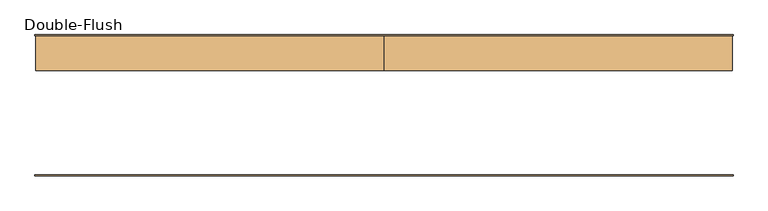
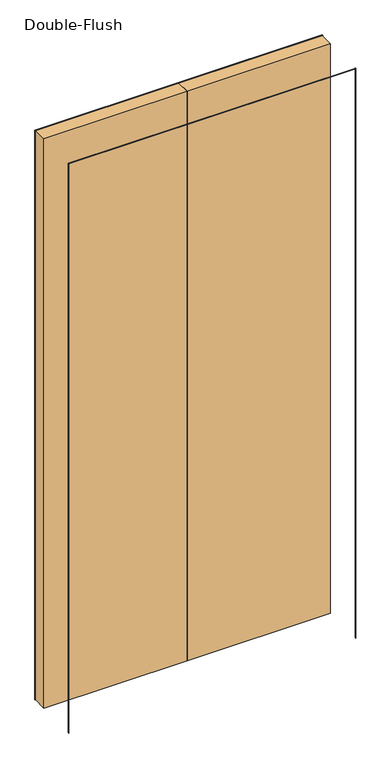
"""IFC4 building model written with IfcOpenShell, lengths in millimetres: door geometry, Double-Flush."""

from ifc_helpers import new_model, si_unit, frame, origin, origin_with_axes, place, context, project, spatial, polyline, outline, extrude, source, transform, mapped, element, save


def double_flush_2f4a6b6c(model_context):
    return source(origin(), model_context, "Body", "SweptSolid", [
        extrude(outline(polyline([(0.0, 101.6), (508.0, 101.6), (508.0, 50.8), (0.0, 50.8), (0.0, 101.6)])), origin_with_axes(), (0.0, 0.0, 1.0), 2133.6),
        extrude(outline(polyline([(-508.0, 101.6), (0.0, 101.6), (0.0, 50.8), (-508.0, 50.8), (-508.0, 101.6)])), origin_with_axes(), (0.0, 0.0, 1.0), 2133.6),
        extrude(outline(polyline([(2133.6, -508.0), (2133.6, 508.0), (0.0, 508.0), (0.0, 509.5875), (2135.1875, 509.5875), (2135.1875, -509.5875), (0.0, -509.5875), (0.0, -508.0), (2133.6, -508.0)])), frame((0.0, -103.1875, 0.0), z_axis=(0.0, 1.0, 0.0), x_axis=(0.0, 0.0, 1.0)), (0.0, 0.0, 1.0), 1.5875),
        extrude(outline(polyline([(2133.6, -508.0), (2133.6, 508.0), (0.0, 508.0), (0.0, 509.5875), (2135.1875, 509.5875), (2135.1875, -509.5875), (0.0, -509.5875), (0.0, -508.0), (2133.6, -508.0)])), frame((0.0, 101.6, 0.0), z_axis=(0.0, 1.0, 0.0), x_axis=(0.0, 0.0, 1.0)), (0.0, 0.0, 1.0), 1.5875),
    ])


if __name__ == "__main__":
    model = new_model("IFC4")
    model_context = context("Model", 3, world=origin())
    ifc_project = project(units=[si_unit("LENGTHUNIT", "METRE", prefix="MILLI")], contexts=[model_context])
    site = spatial("IfcSite", under=ifc_project)
    building = spatial("IfcBuilding", under=site)
    placement = place(None, origin())
    double_flush_shape = double_flush_2f4a6b6c(model_context)
    element("IfcDoor", 1, ObjectType="Double-Flush", at=placement, inside=building, context=model_context, shape_type="MappedRepresentation", body=[
        mapped(double_flush_shape, transform((0.0, 0.0, 0.0), x_axis=(1.0, 0.0, 0.0), y_axis=(0.0, 1.0, 0.0), z_axis=(0.0, 0.0, 1.0))),
    ])
    save(model, "model.ifc")
